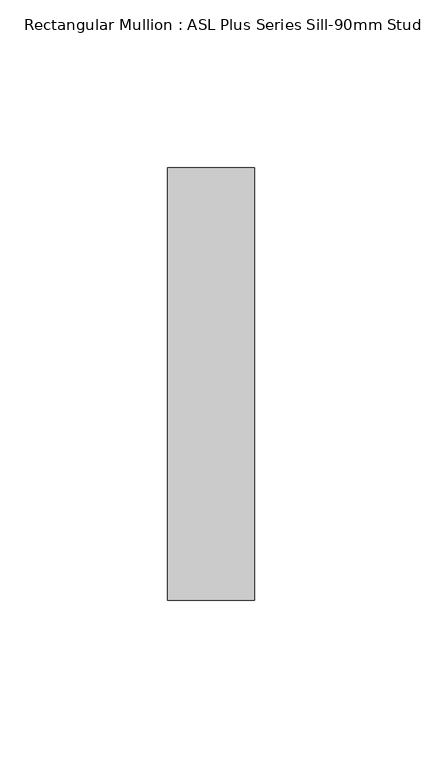
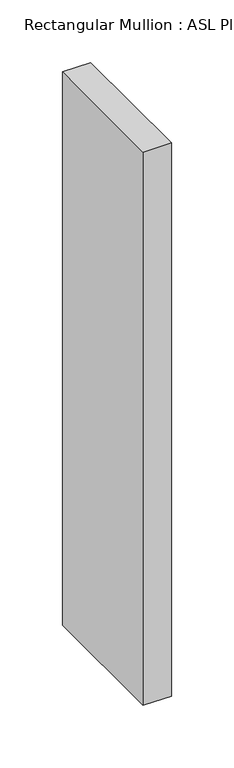
"""IFC4 building model written with IfcOpenShell, lengths in millimetres: member geometry, Rectangular Mullion : ASL Plus Series Sill-90mm Stud."""

from ifc_helpers import new_model, si_unit, frame, origin, place, context, project, spatial, polyline, outline, extrude, source, transform, mapped, element, save


def rectangular_mullion_asl_plus_series_sill_90mm_stud_a71f0b46(model_context):
    return source(origin(), model_context, "Body", "SweptSolid", [
        extrude(outline(polyline([(-26.0, 64.5), (0.0, 64.5), (0.0, -64.5), (-26.0, -64.5), (-26.0, 64.5)])), frame((0.0, 0.0, -539.0), z_axis=(0.0, 0.0, 1.0), x_axis=(1.0, 0.0, 0.0)), (0.0, 0.0, 1.0), 539.0),
    ])


if __name__ == "__main__":
    model = new_model("IFC4")
    model_context = context("Model", 3, world=origin())
    ifc_project = project(units=[si_unit("LENGTHUNIT", "METRE", prefix="MILLI")], contexts=[model_context])
    site = spatial("IfcSite", under=ifc_project)
    building = spatial("IfcBuilding", under=site)
    placement = place(None, origin())
    rectangular_mullion_asl_plus_series_sill_90mm_stud_shape = rectangular_mullion_asl_plus_series_sill_90mm_stud_a71f0b46(model_context)
    element("IfcMember", 1, ObjectType="Rectangular Mullion : ASL Plus Series Sill-90mm Stud", at=placement, inside=building, context=model_context, shape_type="MappedRepresentation", body=[
        mapped(rectangular_mullion_asl_plus_series_sill_90mm_stud_shape, transform((0.0, 0.0, 0.0), x_axis=(1.0, 0.0, 0.0), y_axis=(0.0, 1.0, 0.0), z_axis=(0.0, 0.0, 1.0))),
    ])
    save(model, "model.ifc")
